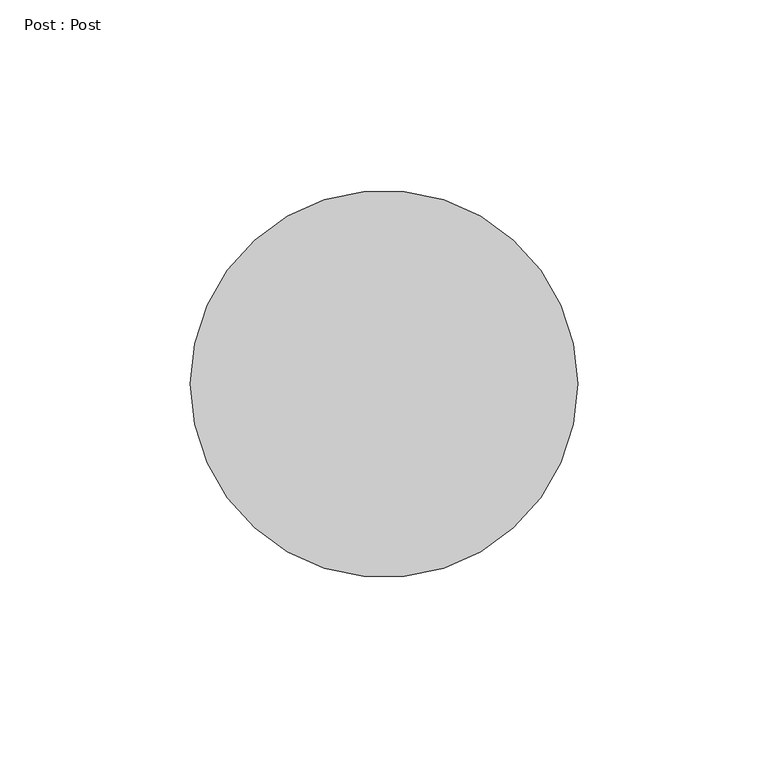
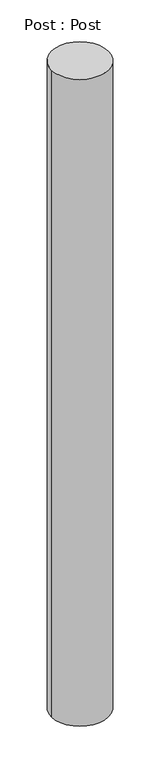
"""IFC4 building model written with IfcOpenShell, lengths in millimetres: furniture geometry, Post : Post."""

import ifcopenshell
import ifcopenshell.guid

model = None  # the IFC model being written
_history = None  # IfcOwnerHistory: only IFC2X3 demands one
_inside = {}  # id of a spatial element -> (the spatial element, [elements in it])
_under = {}  # id of a project, library or spatial element -> (it, [spatial elements below it])
_declared = {}  # id of a project -> (the project, [libraries it declares])
_typed = {}  # id of a type object -> (the type object, [elements of that type])
_made_of = {}  # id of a material, layer set ... -> (it, [elements and type objects made of it])


def new_model(schema):
    """Start an empty IFC model of exactly this schema.

    Asked for "IFC4X3", IfcOpenShell would pick the latest addendum, in which some entities
    have other attributes; the version numbers below select the first issue.
    IFC2X3 requires an IfcOwnerHistory on every rooted entity: one is made here for all.
    """
    global model, _history
    if schema == "IFC4X3":
        model = ifcopenshell.file(schema_version=(4, 3, 0, 0))
    else:
        model = ifcopenshell.file(schema=schema)
    _inside.clear()
    _under.clear()
    _declared.clear()
    _typed.clear()
    _made_of.clear()
    _history = None
    if model.schema == "IFC2X3":
        org = make("IfcOrganization", Name="unknown")
        user = make(
            "IfcPersonAndOrganization",
            ThePerson=make("IfcPerson", FamilyName="unknown"),
            TheOrganization=org,
        )
        app = make(
            "IfcApplication",
            ApplicationDeveloper=org,
            Version="unknown",
            ApplicationFullName="unknown",
            ApplicationIdentifier="unknown",
        )
        _history = make(
            "IfcOwnerHistory",
            OwningUser=user,
            OwningApplication=app,
            ChangeAction="ADDED",
            CreationDate=0,
        )
    return model


def make(cls, **values):
    """One entity of the class cls with the attributes given. An attribute that is None is left unset."""
    return model.create_entity(
        cls, **{name: value for name, value in values.items() if value is not None}
    )


def rooted(cls, **values):
    """An entity with a GlobalId (a new one), such as an element, a storey or a relation."""
    return make(cls, GlobalId=ifcopenshell.guid.new(), OwnerHistory=_history, **values)


def si_unit(unit_type, name, prefix=None):
    """IfcSIUnit, for example si_unit("LENGTHUNIT", "METRE", prefix="MILLI")."""
    return make("IfcSIUnit", UnitType=unit_type, Prefix=prefix, Name=name)


def assignment(units):
    """IfcUnitAssignment: the units of a project."""
    return None if units is None else make("IfcUnitAssignment", Units=units)


def point(xyz):
    """IfcCartesianPoint."""
    return None if xyz is None else make("IfcCartesianPoint", Coordinates=xyz)


def direction(xyz):
    """IfcDirection."""
    return None if xyz is None else make("IfcDirection", DirectionRatios=xyz)


def frame(location, z_axis=None, x_axis=None):
    """IfcAxis2Placement3D, a coordinate frame: its origin and axes. An axis left out is left unset."""
    return make(
        "IfcAxis2Placement3D",
        Location=point(location),
        Axis=direction(z_axis),
        RefDirection=direction(x_axis),
    )


def frame_2d(location, x_axis=None):
    """IfcAxis2Placement2D, a coordinate frame in the plane: its origin and x axis."""
    return make(
        "IfcAxis2Placement2D", Location=point(location), RefDirection=direction(x_axis)
    )


def origin():
    """The frame at (0, 0, 0) with its axes left unset."""
    return frame((0.0, 0.0, 0.0))


def origin_with_axes():
    """The frame at (0, 0, 0) with the z axis (0, 0, 1) and the x axis (1, 0, 0) written out."""
    return frame((0.0, 0.0, 0.0), z_axis=(0.0, 0.0, 1.0), x_axis=(1.0, 0.0, 0.0))


def origin_2d():
    """The frame at (0, 0) in the plane with its x axis left unset."""
    return frame_2d((0.0, 0.0))


def place(relative_to, where):
    """IfcLocalPlacement: puts the frame where relative to a parent placement (None: the world)."""
    return make(
        "IfcLocalPlacement", PlacementRelTo=relative_to, RelativePlacement=where
    )


def context(
    kind, dimensions, precision=None, world=None, true_north=None, identifier=None
):
    """IfcGeometricRepresentationContext, for example the 3D "Model" context."""
    return make(
        "IfcGeometricRepresentationContext",
        ContextIdentifier=identifier,
        ContextType=kind,
        CoordinateSpaceDimension=dimensions,
        Precision=precision,
        WorldCoordinateSystem=world,
        TrueNorth=true_north,
    )


def project(units=None, contexts=None):
    """IfcProject with its units and contexts."""
    return rooted(
        "IfcProject",
        Name="project",
        RepresentationContexts=contexts,
        UnitsInContext=assignment(units),
    )


def spatial(cls, under=None, at=None, **own):
    """A site, building, storey or space (cls), placed at a placement, below another one or the project."""
    s = rooted(cls, ObjectPlacement=at, **own)
    if under is not None:
        _under.setdefault(under.id(), (under, []))[1].append(s)
    return s


def circle_curve(where, radius):
    """IfcCircle in the frame where."""
    return make("IfcCircle", Position=where, Radius=radius)


def trimmed(basis, trim1, trim2, sense, master):
    """IfcTrimmedCurve: the piece of a basis curve between two trims."""
    return make(
        "IfcTrimmedCurve",
        BasisCurve=basis,
        Trim1=trim1,
        Trim2=trim2,
        SenseAgreement=sense,
        MasterRepresentation=master,
    )


def segment(curve, same_sense, transition):
    """IfcCompositeCurveSegment."""
    return make(
        "IfcCompositeCurveSegment",
        Transition=transition,
        SameSense=same_sense,
        ParentCurve=curve,
    )


def composite_curve(segments, self_intersect=None):
    """IfcCompositeCurve: segments joined end to end."""
    return make("IfcCompositeCurve", Segments=segments, SelfIntersect=self_intersect)


def outline(outer, holes=None, kind="AREA"):
    """IfcArbitraryClosedProfileDef: a profile drawn as a closed curve; with holes, ...WithVoids."""
    if holes is None:
        return make("IfcArbitraryClosedProfileDef", ProfileType=kind, OuterCurve=outer)
    return make(
        "IfcArbitraryProfileDefWithVoids",
        ProfileType=kind,
        OuterCurve=outer,
        InnerCurves=holes,
    )


def extrude(swept, where, along, depth):
    """IfcExtrudedAreaSolid: the profile swept, set in the frame where, extruded along a direction by depth."""
    return make(
        "IfcExtrudedAreaSolid",
        SweptArea=swept,
        Position=where,
        ExtrudedDirection=direction(along),
        Depth=depth,
    )


def shape(context_of_items, identifier, shape_type, items):
    """IfcShapeRepresentation: the items that make up one representation, for example the "Body"."""
    return make(
        "IfcShapeRepresentation",
        ContextOfItems=context_of_items,
        RepresentationIdentifier=identifier,
        RepresentationType=shape_type,
        Items=items,
    )


def source(mapping_origin, context_of_items, identifier, shape_type, items):
    """IfcRepresentationMap: a shape defined once, which mapped items show again and again."""
    return make(
        "IfcRepresentationMap",
        MappingOrigin=mapping_origin,
        MappedRepresentation=shape(context_of_items, identifier, shape_type, items),
    )


def transform(
    local_origin,
    x_axis=None,
    y_axis=None,
    z_axis=None,
    scale=None,
    scale2=None,
    scale3=None,
    uniform=True,
):
    """IfcCartesianTransformationOperator3D, or its non-uniform kind. x_axis, y_axis, z_axis: its Axis1, 2, 3."""
    if uniform:
        return make(
            "IfcCartesianTransformationOperator3D",
            Axis1=direction(x_axis),
            Axis2=direction(y_axis),
            LocalOrigin=point(local_origin),
            Scale=scale,
            Axis3=direction(z_axis),
        )
    return make(
        "IfcCartesianTransformationOperator3DnonUniform",
        Axis1=direction(x_axis),
        Axis2=direction(y_axis),
        LocalOrigin=point(local_origin),
        Scale=scale,
        Axis3=direction(z_axis),
        Scale2=scale2,
        Scale3=scale3,
    )


def mapped(mapping_source, mapping_target):
    """IfcMappedItem: shows the shape of a source again, moved by a transform."""
    return make(
        "IfcMappedItem", MappingSource=mapping_source, MappingTarget=mapping_target
    )


def made_of(thing, what):
    """Note that an element or type object is made of a material, layer set ...; save() writes the relation."""
    if what is not None:
        _made_of.setdefault(what.id(), (what, []))[1].append(thing)
    return thing


def element(
    cls,
    number,
    at=None,
    inside=None,
    cuts=None,
    type_object=None,
    material=None,
    context=None,
    identifier="Body",
    shape_type=None,
    held_by="IfcProductDefinitionShape",
    body=None,
    shapes=None,
    **own,
):
    """One element of the class cls, such as IfcWall. Its Tag is "e" and its number.

    at: its placement. inside: the storey or other place that contains it. cuts: it is an
    opening in that element (IfcRelVoidsElement). A single representation is given by context,
    identifier, shape_type and body (its items); several are given by shapes. held_by: the class
    of the entity that holds the representations. save() writes the other relations.
    """
    e = rooted(cls, Tag="e%d" % number, ObjectPlacement=at, **own)
    if body is not None:
        shapes = [shape(context, identifier, shape_type, body)]
    if shapes is not None:
        e.Representation = make(held_by, Representations=shapes)
    if inside is not None:
        _inside.setdefault(inside.id(), (inside, []))[1].append(e)
    if cuts is not None:
        rooted(
            "IfcRelVoidsElement", RelatingBuildingElement=cuts, RelatedOpeningElement=e
        )
    if type_object is not None:
        _typed.setdefault(type_object.id(), (type_object, []))[1].append(e)
    return made_of(e, material)


def aggregate(whole, parts):
    """IfcRelAggregates: a whole, such as a stair, and the parts it consists of."""
    return rooted("IfcRelAggregates", RelatingObject=whole, RelatedObjects=parts)


def save(model, path):
    """Write the relations noted so far, then the file.

    IfcRelAggregates (storeys below a building ...), IfcRelContainedInSpatialStructure (elements
    in a storey), IfcRelDefinesByType, IfcRelAssociatesMaterial and IfcRelDeclares: one each for
    every whole, place, type object, material and project.
    """
    for whole, parts in _under.values():
        aggregate(whole, parts)
    for where, things in _inside.values():
        rooted(
            "IfcRelContainedInSpatialStructure",
            RelatedElements=things,
            RelatingStructure=where,
        )
    for kind, things in _typed.values():
        rooted("IfcRelDefinesByType", RelatedObjects=things, RelatingType=kind)
    for what, things in _made_of.values():
        rooted("IfcRelAssociatesMaterial", RelatedObjects=things, RelatingMaterial=what)
    for by, libraries in _declared.values():
        rooted("IfcRelDeclares", RelatingContext=by, RelatedDefinitions=libraries)
    model.write(path)


def post_post_047d219c(model_context):
    return source(origin(), model_context, "Body", "SweptSolid", [
        extrude(outline(composite_curve([segment(trimmed(circle_curve(origin_2d(), 50.8), [point((-50.8, 0.0))], [point((50.8, 0.0))], False, "CARTESIAN"), True, "CONTINUOUS"), segment(trimmed(circle_curve(origin_2d(), 50.8), [point((50.8, 0.0))], [point((-50.8, 0.0))], False, "CARTESIAN"), True, "CONTINUOUS")], self_intersect=False)), origin_with_axes(), (0.0, 0.0, 1.0), 1219.2),
    ])


if __name__ == "__main__":
    model = new_model("IFC4")
    model_context = context("Model", 3, world=origin())
    ifc_project = project(units=[si_unit("LENGTHUNIT", "METRE", prefix="MILLI")], contexts=[model_context])
    site = spatial("IfcSite", under=ifc_project)
    building = spatial("IfcBuilding", under=site)
    placement = place(None, origin())
    post_post_shape = post_post_047d219c(model_context)
    element("IfcFurniture", 1, ObjectType="Post : Post", at=placement, inside=building, context=model_context, shape_type="MappedRepresentation", body=[
        mapped(post_post_shape, transform((0.0, 0.0, 0.0), x_axis=(1.0, 0.0, 0.0), y_axis=(0.0, 1.0, 0.0), z_axis=(0.0, 0.0, 1.0))),
    ])
    save(model, "model.ifc")
